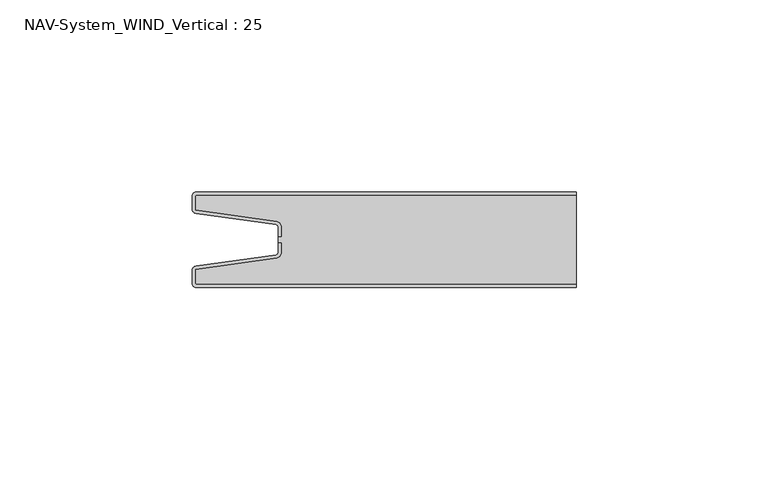
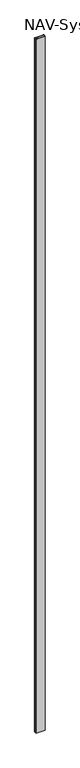
"""IFC4 building model written with IfcOpenShell, lengths in millimetres: plate geometry, NAV-System_WIND_Vertical : 25."""

from ifc_helpers import new_model, si_unit, point, frame_2d, origin, origin_with_axes, place, context, project, spatial, polyline, circle_curve, trimmed, segment, composite_curve, outline, extrude, source, transform, mapped, element, save


def nav_system_wind_vertical_25_bbacf599(model_context):
    return source(origin(), model_context, "Body", "SweptSolid", [
        extrude(outline(composite_curve([segment(trimmed(circle_curve(frame_2d((-48.7, -23.7)), 1.3), [point((-48.7, -25.0))], [point((-50.0, -23.7))], False, "CARTESIAN"), True, "CONTINUOUS"), segment(polyline([(-50.0, -23.7), (-50.0, -20.6299809)]), True, "CONTINUOUS"), segment(trimmed(circle_curve(frame_2d((-48.7, -20.6299809)), 1.3), [point((-50.0, -20.6299809))], [point((-48.8810287, -19.342647))], False, "CARTESIAN"), True, "CONTINUOUS"), segment(polyline([(-48.8810287, -19.342647), (-28.102523, -16.4207123)]), True, "CONTINUOUS"), segment(trimmed(circle_curve(frame_2d((-28.2, -15.7275325)), 0.7), [point((-28.102523, -16.4207123))], [point((-27.5, -15.7275325))], True, "CARTESIAN"), True, "CONTINUOUS"), segment(polyline([(-27.5, -15.7275325), (-27.5, -13.3275325), (-26.7, -13.3275325), (-26.7, -15.7275325)]), True, "CONTINUOUS"), segment(trimmed(circle_curve(frame_2d((-28.2, -15.7275325)), 1.5), [point((-26.7, -15.7275325))], [point((-27.9911207, -17.2129178))], False, "CARTESIAN"), True, "CONTINUOUS"), segment(polyline([(-27.9911207, -17.2129178), (-49.2, -20.1953728), (-49.2, -23.7)]), True, "CONTINUOUS"), segment(trimmed(circle_curve(frame_2d((-48.7, -23.7)), 0.5), [point((-49.2, -23.7))], [point((-48.7, -24.2))], True, "CARTESIAN"), True, "CONTINUOUS"), segment(polyline([(-48.7, -24.2), (50.0, -24.2), (50.0, -25.0), (-48.7, -25.0)]), True, "CONTINUOUS")], self_intersect=False)), origin_with_axes(), (0.0, 0.0, 1.0), 8000.0),
        extrude(outline(composite_curve([segment(trimmed(circle_curve(frame_2d((-48.7, -1.3)), 0.5), [point((-48.7, -0.8))], [point((-49.2, -1.3))], True, "CARTESIAN"), True, "CONTINUOUS"), segment(polyline([(-49.2, -1.3), (-49.2, -4.8046272), (-27.9911207, -7.7870822)]), True, "CONTINUOUS"), segment(trimmed(circle_curve(frame_2d((-28.2, -9.2724675)), 1.5), [point((-27.9911207, -7.7870822))], [point((-26.7, -9.2724675))], False, "CARTESIAN"), True, "CONTINUOUS"), segment(polyline([(-26.7, -9.2724675), (-26.7, -11.6724675), (-27.5, -11.6724675), (-27.5, -9.2724675)]), True, "CONTINUOUS"), segment(trimmed(circle_curve(frame_2d((-28.2, -9.2724675)), 0.7), [point((-27.5, -9.2724675))], [point((-28.102523, -8.5792877))], True, "CARTESIAN"), True, "CONTINUOUS"), segment(polyline([(-28.102523, -8.5792877), (-48.8810287, -5.657353)]), True, "CONTINUOUS"), segment(trimmed(circle_curve(frame_2d((-48.7, -4.3700191)), 1.3), [point((-48.8810287, -5.657353))], [point((-50.0, -4.3700191))], False, "CARTESIAN"), True, "CONTINUOUS"), segment(polyline([(-50.0, -4.3700191), (-50.0, -1.3)]), True, "CONTINUOUS"), segment(trimmed(circle_curve(frame_2d((-48.7, -1.3)), 1.3), [point((-50.0, -1.3))], [point((-48.7, 0.0))], False, "CARTESIAN"), True, "CONTINUOUS"), segment(polyline([(-48.7, 0.0), (50.0, 0.0), (50.0, -0.8), (-48.7, -0.8)]), True, "CONTINUOUS")], self_intersect=False)), origin_with_axes(), (0.0, 0.0, 1.0), 8000.0),
        extrude(outline(composite_curve([segment(trimmed(circle_curve(frame_2d((-48.7, -23.7)), 0.5), [point((-48.7, -24.2))], [point((-49.2, -23.7))], False, "CARTESIAN"), True, "CONTINUOUS"), segment(polyline([(-49.2, -23.7), (-49.2, -20.1953728), (-27.9911207, -17.2129178)]), True, "CONTINUOUS"), segment(trimmed(circle_curve(frame_2d((-28.2, -15.7275325)), 1.5), [point((-27.9911207, -17.2129178))], [point((-26.7, -15.7275325))], True, "CARTESIAN"), True, "CONTINUOUS"), segment(polyline([(-26.7, -15.7275325), (-26.7, -13.2767555), (-27.5, -13.2767555), (-27.5, -11.6767555), (-26.7, -11.6767555), (-26.7, -9.2724675)]), True, "CONTINUOUS"), segment(trimmed(circle_curve(frame_2d((-28.2, -9.2724675)), 1.5), [point((-26.7, -9.2724675))], [point((-27.9911207, -7.7870822))], True, "CARTESIAN"), True, "CONTINUOUS"), segment(polyline([(-27.9911207, -7.7870822), (-49.2, -4.8046272), (-49.2, -1.3)]), True, "CONTINUOUS"), segment(trimmed(circle_curve(frame_2d((-48.7, -1.3)), 0.5), [point((-49.2, -1.3))], [point((-48.7, -0.8))], False, "CARTESIAN"), True, "CONTINUOUS"), segment(polyline([(-48.7, -0.8), (50.0, -0.8), (50.0, -24.2), (-48.7, -24.2)]), True, "CONTINUOUS")], self_intersect=False)), origin_with_axes(), (0.0, 0.0, 1.0), 8000.0),
    ])


if __name__ == "__main__":
    model = new_model("IFC4")
    model_context = context("Model", 3, world=origin())
    ifc_project = project(units=[si_unit("LENGTHUNIT", "METRE", prefix="MILLI")], contexts=[model_context])
    site = spatial("IfcSite", under=ifc_project)
    building = spatial("IfcBuilding", under=site)
    placement = place(None, origin())
    nav_system_wind_vertical_25_shape = nav_system_wind_vertical_25_bbacf599(model_context)
    element("IfcPlate", 1, ObjectType="NAV-System_WIND_Vertical : 25", at=placement, inside=building, context=model_context, shape_type="MappedRepresentation", body=[
        mapped(nav_system_wind_vertical_25_shape, transform((0.0, 0.0, 0.0), x_axis=(1.0, 0.0, 0.0), y_axis=(0.0, 1.0, 0.0), z_axis=(0.0, 0.0, 1.0))),
    ])
    save(model, "model.ifc")
